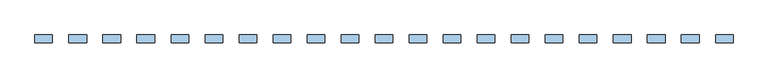
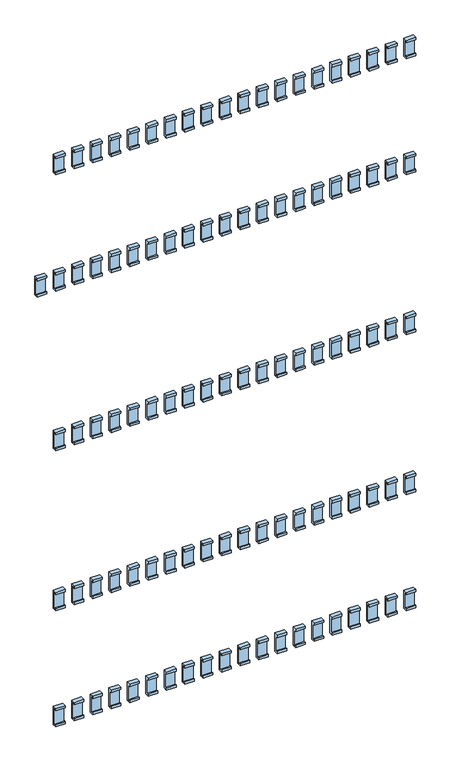
"""IFC4 building model written with IfcOpenShell, lengths in millimetres: window geometry."""

from ifc_helpers import new_model, si_unit, frame, origin, place, context, project, spatial, polyline, outline, extrude, source, transform, mapped, element, save


def window_1bb3da32(model_context):
    return source(origin(), model_context, "Body", "SweptSolid", [
        extrude(outline(polyline([(110.1, 1676.5936804), (105.9, 1676.5936804), (105.9, 1672.5936804), (102.1, 1672.5936804), (102.1, 1680.5), (116.0, 1680.5), (116.0, 1617.5), (102.1, 1617.5), (102.1, 1625.4063196), (105.9, 1625.4063196), (105.9, 1621.4063196), (110.1, 1621.4063196), (110.1, 1676.5936804)])), frame((644.5, 0.0, 0.0), z_axis=(1.0, 0.0, 0.0), x_axis=(0.0, 1.0, 0.0)), (0.0, 0.0, 1.0), 31.0),
        extrude(outline(polyline([(110.1, 1126.5936804), (105.9, 1126.5936804), (105.9, 1122.5936804), (102.1, 1122.5936804), (102.1, 1130.5), (116.0, 1130.5), (116.0, 1067.5), (102.1, 1067.5), (102.1, 1075.4063196), (105.9, 1075.4063196), (105.9, 1071.4063196), (110.1, 1071.4063196), (110.1, 1126.5936804)])), frame((644.5, 0.0, 0.0), z_axis=(1.0, 0.0, 0.0), x_axis=(0.0, 1.0, 0.0)), (0.0, 0.0, 1.0), 31.0),
        extrude(outline(polyline([(110.1, 576.5936804), (105.9, 576.5936804), (105.9, 572.5936804), (102.1, 572.5936804), (102.1, 580.5), (116.0, 580.5), (116.0, 517.5), (102.1, 517.5), (102.1, 525.4063196), (105.9, 525.4063196), (105.9, 521.4063196), (110.1, 521.4063196), (110.1, 576.5936804)])), frame((644.5, 0.0, 0.0), z_axis=(1.0, 0.0, 0.0), x_axis=(0.0, 1.0, 0.0)), (0.0, 0.0, 1.0), 31.0),
        extrude(outline(polyline([(110.1, 2020.9063196), (110.1, 2076.0936804), (105.9, 2076.0936804), (105.9, 2072.0936804), (102.1, 2072.0936804), (102.1, 2080.0), (116.0, 2080.0), (116.0, 2017.0), (102.1, 2017.0), (102.1, 2024.9063196), (105.9, 2024.9063196), (105.9, 2020.9063196), (110.1, 2020.9063196)])), frame((644.5, 0.0, 0.0), z_axis=(1.0, 0.0, 0.0), x_axis=(0.0, 1.0, 0.0)), (0.0, 0.0, 1.0), 31.0),
        extrude(outline(polyline([(110.1, 177.0936804), (105.9, 177.0936804), (105.9, 173.0936804), (102.1, 173.0936804), (102.1, 181.0), (116.0, 181.0), (116.0, 118.0), (102.1, 118.0), (102.1, 125.9063196), (105.9, 125.9063196), (105.9, 121.9063196), (110.1, 121.9063196), (110.1, 177.0936804)])), frame((644.5, 0.0, 0.0), z_axis=(1.0, 0.0, 0.0), x_axis=(0.0, 1.0, 0.0)), (0.0, 0.0, 1.0), 31.0),
        extrude(outline(polyline([(110.1, 1676.5936804), (105.9, 1676.5936804), (105.9, 1672.5936804), (102.1, 1672.5936804), (102.1, 1680.5), (116.0, 1680.5), (116.0, 1617.5), (102.1, 1617.5), (102.1, 1625.4063196), (105.9, 1625.4063196), (105.9, 1621.4063196), (110.1, 1621.4063196), (110.1, 1676.5936804)])), frame((584.5, 0.0, 0.0), z_axis=(1.0, 0.0, 0.0), x_axis=(0.0, 1.0, 0.0)), (0.0, 0.0, 1.0), 31.0),
        extrude(outline(polyline([(110.1, 1126.5936804), (105.9, 1126.5936804), (105.9, 1122.5936804), (102.1, 1122.5936804), (102.1, 1130.5), (116.0, 1130.5), (116.0, 1067.5), (102.1, 1067.5), (102.1, 1075.4063196), (105.9, 1075.4063196), (105.9, 1071.4063196), (110.1, 1071.4063196), (110.1, 1126.5936804)])), frame((584.5, 0.0, 0.0), z_axis=(1.0, 0.0, 0.0), x_axis=(0.0, 1.0, 0.0)), (0.0, 0.0, 1.0), 31.0),
        extrude(outline(polyline([(110.1, 576.5936804), (105.9, 576.5936804), (105.9, 572.5936804), (102.1, 572.5936804), (102.1, 580.5), (116.0, 580.5), (116.0, 517.5), (102.1, 517.5), (102.1, 525.4063196), (105.9, 525.4063196), (105.9, 521.4063196), (110.1, 521.4063196), (110.1, 576.5936804)])), frame((584.5, 0.0, 0.0), z_axis=(1.0, 0.0, 0.0), x_axis=(0.0, 1.0, 0.0)), (0.0, 0.0, 1.0), 31.0),
        extrude(outline(polyline([(110.1, 2020.9063196), (110.1, 2076.0936804), (105.9, 2076.0936804), (105.9, 2072.0936804), (102.1, 2072.0936804), (102.1, 2080.0), (116.0, 2080.0), (116.0, 2017.0), (102.1, 2017.0), (102.1, 2024.9063196), (105.9, 2024.9063196), (105.9, 2020.9063196), (110.1, 2020.9063196)])), frame((584.5, 0.0, 0.0), z_axis=(1.0, 0.0, 0.0), x_axis=(0.0, 1.0, 0.0)), (0.0, 0.0, 1.0), 31.0),
        extrude(outline(polyline([(110.1, 177.0936804), (105.9, 177.0936804), (105.9, 173.0936804), (102.1, 173.0936804), (102.1, 181.0), (116.0, 181.0), (116.0, 118.0), (102.1, 118.0), (102.1, 125.9063196), (105.9, 125.9063196), (105.9, 121.9063196), (110.1, 121.9063196), (110.1, 177.0936804)])), frame((584.5, 0.0, 0.0), z_axis=(1.0, 0.0, 0.0), x_axis=(0.0, 1.0, 0.0)), (0.0, 0.0, 1.0), 31.0),
        extrude(outline(polyline([(110.1, 1676.5936804), (105.9, 1676.5936804), (105.9, 1672.5936804), (102.1, 1672.5936804), (102.1, 1680.5), (116.0, 1680.5), (116.0, 1617.5), (102.1, 1617.5), (102.1, 1625.4063196), (105.9, 1625.4063196), (105.9, 1621.4063196), (110.1, 1621.4063196), (110.1, 1676.5936804)])), frame((524.5, 0.0, 0.0), z_axis=(1.0, 0.0, 0.0), x_axis=(0.0, 1.0, 0.0)), (0.0, 0.0, 1.0), 31.0),
        extrude(outline(polyline([(110.1, 1126.5936804), (105.9, 1126.5936804), (105.9, 1122.5936804), (102.1, 1122.5936804), (102.1, 1130.5), (116.0, 1130.5), (116.0, 1067.5), (102.1, 1067.5), (102.1, 1075.4063196), (105.9, 1075.4063196), (105.9, 1071.4063196), (110.1, 1071.4063196), (110.1, 1126.5936804)])), frame((524.5, 0.0, 0.0), z_axis=(1.0, 0.0, 0.0), x_axis=(0.0, 1.0, 0.0)), (0.0, 0.0, 1.0), 31.0),
        extrude(outline(polyline([(110.1, 576.5936804), (105.9, 576.5936804), (105.9, 572.5936804), (102.1, 572.5936804), (102.1, 580.5), (116.0, 580.5), (116.0, 517.5), (102.1, 517.5), (102.1, 525.4063196), (105.9, 525.4063196), (105.9, 521.4063196), (110.1, 521.4063196), (110.1, 576.5936804)])), frame((524.5, 0.0, 0.0), z_axis=(1.0, 0.0, 0.0), x_axis=(0.0, 1.0, 0.0)), (0.0, 0.0, 1.0), 31.0),
        extrude(outline(polyline([(110.1, 2020.9063196), (110.1, 2076.0936804), (105.9, 2076.0936804), (105.9, 2072.0936804), (102.1, 2072.0936804), (102.1, 2080.0), (116.0, 2080.0), (116.0, 2017.0), (102.1, 2017.0), (102.1, 2024.9063196), (105.9, 2024.9063196), (105.9, 2020.9063196), (110.1, 2020.9063196)])), frame((524.5, 0.0, 0.0), z_axis=(1.0, 0.0, 0.0), x_axis=(0.0, 1.0, 0.0)), (0.0, 0.0, 1.0), 31.0),
        extrude(outline(polyline([(110.1, 177.0936804), (105.9, 177.0936804), (105.9, 173.0936804), (102.1, 173.0936804), (102.1, 181.0), (116.0, 181.0), (116.0, 118.0), (102.1, 118.0), (102.1, 125.9063196), (105.9, 125.9063196), (105.9, 121.9063196), (110.1, 121.9063196), (110.1, 177.0936804)])), frame((524.5, 0.0, 0.0), z_axis=(1.0, 0.0, 0.0), x_axis=(0.0, 1.0, 0.0)), (0.0, 0.0, 1.0), 31.0),
        extrude(outline(polyline([(110.1, 1676.5936804), (105.9, 1676.5936804), (105.9, 1672.5936804), (102.1, 1672.5936804), (102.1, 1680.5), (116.0, 1680.5), (116.0, 1617.5), (102.1, 1617.5), (102.1, 1625.4063196), (105.9, 1625.4063196), (105.9, 1621.4063196), (110.1, 1621.4063196), (110.1, 1676.5936804)])), frame((464.5, 0.0, 0.0), z_axis=(1.0, 0.0, 0.0), x_axis=(0.0, 1.0, 0.0)), (0.0, 0.0, 1.0), 31.0),
        extrude(outline(polyline([(110.1, 1126.5936804), (105.9, 1126.5936804), (105.9, 1122.5936804), (102.1, 1122.5936804), (102.1, 1130.5), (116.0, 1130.5), (116.0, 1067.5), (102.1, 1067.5), (102.1, 1075.4063196), (105.9, 1075.4063196), (105.9, 1071.4063196), (110.1, 1071.4063196), (110.1, 1126.5936804)])), frame((464.5, 0.0, 0.0), z_axis=(1.0, 0.0, 0.0), x_axis=(0.0, 1.0, 0.0)), (0.0, 0.0, 1.0), 31.0),
        extrude(outline(polyline([(110.1, 576.5936804), (105.9, 576.5936804), (105.9, 572.5936804), (102.1, 572.5936804), (102.1, 580.5), (116.0, 580.5), (116.0, 517.5), (102.1, 517.5), (102.1, 525.4063196), (105.9, 525.4063196), (105.9, 521.4063196), (110.1, 521.4063196), (110.1, 576.5936804)])), frame((464.5, 0.0, 0.0), z_axis=(1.0, 0.0, 0.0), x_axis=(0.0, 1.0, 0.0)), (0.0, 0.0, 1.0), 31.0),
        extrude(outline(polyline([(110.1, 2020.9063196), (110.1, 2076.0936804), (105.9, 2076.0936804), (105.9, 2072.0936804), (102.1, 2072.0936804), (102.1, 2080.0), (116.0, 2080.0), (116.0, 2017.0), (102.1, 2017.0), (102.1, 2024.9063196), (105.9, 2024.9063196), (105.9, 2020.9063196), (110.1, 2020.9063196)])), frame((464.5, 0.0, 0.0), z_axis=(1.0, 0.0, 0.0), x_axis=(0.0, 1.0, 0.0)), (0.0, 0.0, 1.0), 31.0),
        extrude(outline(polyline([(110.1, 177.0936804), (105.9, 177.0936804), (105.9, 173.0936804), (102.1, 173.0936804), (102.1, 181.0), (116.0, 181.0), (116.0, 118.0), (102.1, 118.0), (102.1, 125.9063196), (105.9, 125.9063196), (105.9, 121.9063196), (110.1, 121.9063196), (110.1, 177.0936804)])), frame((464.5, 0.0, 0.0), z_axis=(1.0, 0.0, 0.0), x_axis=(0.0, 1.0, 0.0)), (0.0, 0.0, 1.0), 31.0),
        extrude(outline(polyline([(110.1, 1676.5936804), (105.9, 1676.5936804), (105.9, 1672.5936804), (102.1, 1672.5936804), (102.1, 1680.5), (116.0, 1680.5), (116.0, 1617.5), (102.1, 1617.5), (102.1, 1625.4063196), (105.9, 1625.4063196), (105.9, 1621.4063196), (110.1, 1621.4063196), (110.1, 1676.5936804)])), frame((404.5, 0.0, 0.0), z_axis=(1.0, 0.0, 0.0), x_axis=(0.0, 1.0, 0.0)), (0.0, 0.0, 1.0), 31.0),
        extrude(outline(polyline([(110.1, 1126.5936804), (105.9, 1126.5936804), (105.9, 1122.5936804), (102.1, 1122.5936804), (102.1, 1130.5), (116.0, 1130.5), (116.0, 1067.5), (102.1, 1067.5), (102.1, 1075.4063196), (105.9, 1075.4063196), (105.9, 1071.4063196), (110.1, 1071.4063196), (110.1, 1126.5936804)])), frame((404.5, 0.0, 0.0), z_axis=(1.0, 0.0, 0.0), x_axis=(0.0, 1.0, 0.0)), (0.0, 0.0, 1.0), 31.0),
        extrude(outline(polyline([(110.1, 576.5936804), (105.9, 576.5936804), (105.9, 572.5936804), (102.1, 572.5936804), (102.1, 580.5), (116.0, 580.5), (116.0, 517.5), (102.1, 517.5), (102.1, 525.4063196), (105.9, 525.4063196), (105.9, 521.4063196), (110.1, 521.4063196), (110.1, 576.5936804)])), frame((404.5, 0.0, 0.0), z_axis=(1.0, 0.0, 0.0), x_axis=(0.0, 1.0, 0.0)), (0.0, 0.0, 1.0), 31.0),
        extrude(outline(polyline([(110.1, 2020.9063196), (110.1, 2076.0936804), (105.9, 2076.0936804), (105.9, 2072.0936804), (102.1, 2072.0936804), (102.1, 2080.0), (116.0, 2080.0), (116.0, 2017.0), (102.1, 2017.0), (102.1, 2024.9063196), (105.9, 2024.9063196), (105.9, 2020.9063196), (110.1, 2020.9063196)])), frame((404.5, 0.0, 0.0), z_axis=(1.0, 0.0, 0.0), x_axis=(0.0, 1.0, 0.0)), (0.0, 0.0, 1.0), 31.0),
        extrude(outline(polyline([(110.1, 177.0936804), (105.9, 177.0936804), (105.9, 173.0936804), (102.1, 173.0936804), (102.1, 181.0), (116.0, 181.0), (116.0, 118.0), (102.1, 118.0), (102.1, 125.9063196), (105.9, 125.9063196), (105.9, 121.9063196), (110.1, 121.9063196), (110.1, 177.0936804)])), frame((404.5, 0.0, 0.0), z_axis=(1.0, 0.0, 0.0), x_axis=(0.0, 1.0, 0.0)), (0.0, 0.0, 1.0), 31.0),
        extrude(outline(polyline([(110.1, 1676.5936804), (105.9, 1676.5936804), (105.9, 1672.5936804), (102.1, 1672.5936804), (102.1, 1680.5), (116.0, 1680.5), (116.0, 1617.5), (102.1, 1617.5), (102.1, 1625.4063196), (105.9, 1625.4063196), (105.9, 1621.4063196), (110.1, 1621.4063196), (110.1, 1676.5936804)])), frame((344.5, 0.0, 0.0), z_axis=(1.0, 0.0, 0.0), x_axis=(0.0, 1.0, 0.0)), (0.0, 0.0, 1.0), 31.0),
        extrude(outline(polyline([(110.1, 1126.5936804), (105.9, 1126.5936804), (105.9, 1122.5936804), (102.1, 1122.5936804), (102.1, 1130.5), (116.0, 1130.5), (116.0, 1067.5), (102.1, 1067.5), (102.1, 1075.4063196), (105.9, 1075.4063196), (105.9, 1071.4063196), (110.1, 1071.4063196), (110.1, 1126.5936804)])), frame((344.5, 0.0, 0.0), z_axis=(1.0, 0.0, 0.0), x_axis=(0.0, 1.0, 0.0)), (0.0, 0.0, 1.0), 31.0),
        extrude(outline(polyline([(110.1, 576.5936804), (105.9, 576.5936804), (105.9, 572.5936804), (102.1, 572.5936804), (102.1, 580.5), (116.0, 580.5), (116.0, 517.5), (102.1, 517.5), (102.1, 525.4063196), (105.9, 525.4063196), (105.9, 521.4063196), (110.1, 521.4063196), (110.1, 576.5936804)])), frame((344.5, 0.0, 0.0), z_axis=(1.0, 0.0, 0.0), x_axis=(0.0, 1.0, 0.0)), (0.0, 0.0, 1.0), 31.0),
        extrude(outline(polyline([(110.1, 2020.9063196), (110.1, 2076.0936804), (105.9, 2076.0936804), (105.9, 2072.0936804), (102.1, 2072.0936804), (102.1, 2080.0), (116.0, 2080.0), (116.0, 2017.0), (102.1, 2017.0), (102.1, 2024.9063196), (105.9, 2024.9063196), (105.9, 2020.9063196), (110.1, 2020.9063196)])), frame((344.5, 0.0, 0.0), z_axis=(1.0, 0.0, 0.0), x_axis=(0.0, 1.0, 0.0)), (0.0, 0.0, 1.0), 31.0),
        extrude(outline(polyline([(110.1, 177.0936804), (105.9, 177.0936804), (105.9, 173.0936804), (102.1, 173.0936804), (102.1, 181.0), (116.0, 181.0), (116.0, 118.0), (102.1, 118.0), (102.1, 125.9063196), (105.9, 125.9063196), (105.9, 121.9063196), (110.1, 121.9063196), (110.1, 177.0936804)])), frame((344.5, 0.0, 0.0), z_axis=(1.0, 0.0, 0.0), x_axis=(0.0, 1.0, 0.0)), (0.0, 0.0, 1.0), 31.0),
        extrude(outline(polyline([(110.1, 1676.5936804), (105.9, 1676.5936804), (105.9, 1672.5936804), (102.1, 1672.5936804), (102.1, 1680.5), (116.0, 1680.5), (116.0, 1617.5), (102.1, 1617.5), (102.1, 1625.4063196), (105.9, 1625.4063196), (105.9, 1621.4063196), (110.1, 1621.4063196), (110.1, 1676.5936804)])), frame((284.5, 0.0, 0.0), z_axis=(1.0, 0.0, 0.0), x_axis=(0.0, 1.0, 0.0)), (0.0, 0.0, 1.0), 31.0),
        extrude(outline(polyline([(110.1, 1126.5936804), (105.9, 1126.5936804), (105.9, 1122.5936804), (102.1, 1122.5936804), (102.1, 1130.5), (116.0, 1130.5), (116.0, 1067.5), (102.1, 1067.5), (102.1, 1075.4063196), (105.9, 1075.4063196), (105.9, 1071.4063196), (110.1, 1071.4063196), (110.1, 1126.5936804)])), frame((284.5, 0.0, 0.0), z_axis=(1.0, 0.0, 0.0), x_axis=(0.0, 1.0, 0.0)), (0.0, 0.0, 1.0), 31.0),
        extrude(outline(polyline([(110.1, 576.5936804), (105.9, 576.5936804), (105.9, 572.5936804), (102.1, 572.5936804), (102.1, 580.5), (116.0, 580.5), (116.0, 517.5), (102.1, 517.5), (102.1, 525.4063196), (105.9, 525.4063196), (105.9, 521.4063196), (110.1, 521.4063196), (110.1, 576.5936804)])), frame((284.5, 0.0, 0.0), z_axis=(1.0, 0.0, 0.0), x_axis=(0.0, 1.0, 0.0)), (0.0, 0.0, 1.0), 31.0),
        extrude(outline(polyline([(110.1, 2020.9063196), (110.1, 2076.0936804), (105.9, 2076.0936804), (105.9, 2072.0936804), (102.1, 2072.0936804), (102.1, 2080.0), (116.0, 2080.0), (116.0, 2017.0), (102.1, 2017.0), (102.1, 2024.9063196), (105.9, 2024.9063196), (105.9, 2020.9063196), (110.1, 2020.9063196)])), frame((284.5, 0.0, 0.0), z_axis=(1.0, 0.0, 0.0), x_axis=(0.0, 1.0, 0.0)), (0.0, 0.0, 1.0), 31.0),
        extrude(outline(polyline([(110.1, 177.0936804), (105.9, 177.0936804), (105.9, 173.0936804), (102.1, 173.0936804), (102.1, 181.0), (116.0, 181.0), (116.0, 118.0), (102.1, 118.0), (102.1, 125.9063196), (105.9, 125.9063196), (105.9, 121.9063196), (110.1, 121.9063196), (110.1, 177.0936804)])), frame((284.5, 0.0, 0.0), z_axis=(1.0, 0.0, 0.0), x_axis=(0.0, 1.0, 0.0)), (0.0, 0.0, 1.0), 31.0),
        extrude(outline(polyline([(110.1, 1676.5936804), (105.9, 1676.5936804), (105.9, 1672.5936804), (102.1, 1672.5936804), (102.1, 1680.5), (116.0, 1680.5), (116.0, 1617.5), (102.1, 1617.5), (102.1, 1625.4063196), (105.9, 1625.4063196), (105.9, 1621.4063196), (110.1, 1621.4063196), (110.1, 1676.5936804)])), frame((224.5, 0.0, 0.0), z_axis=(1.0, 0.0, 0.0), x_axis=(0.0, 1.0, 0.0)), (0.0, 0.0, 1.0), 31.0),
        extrude(outline(polyline([(110.1, 1126.5936804), (105.9, 1126.5936804), (105.9, 1122.5936804), (102.1, 1122.5936804), (102.1, 1130.5), (116.0, 1130.5), (116.0, 1067.5), (102.1, 1067.5), (102.1, 1075.4063196), (105.9, 1075.4063196), (105.9, 1071.4063196), (110.1, 1071.4063196), (110.1, 1126.5936804)])), frame((224.5, 0.0, 0.0), z_axis=(1.0, 0.0, 0.0), x_axis=(0.0, 1.0, 0.0)), (0.0, 0.0, 1.0), 31.0),
        extrude(outline(polyline([(110.1, 576.5936804), (105.9, 576.5936804), (105.9, 572.5936804), (102.1, 572.5936804), (102.1, 580.5), (116.0, 580.5), (116.0, 517.5), (102.1, 517.5), (102.1, 525.4063196), (105.9, 525.4063196), (105.9, 521.4063196), (110.1, 521.4063196), (110.1, 576.5936804)])), frame((224.5, 0.0, 0.0), z_axis=(1.0, 0.0, 0.0), x_axis=(0.0, 1.0, 0.0)), (0.0, 0.0, 1.0), 31.0),
        extrude(outline(polyline([(110.1, 2020.9063196), (110.1, 2076.0936804), (105.9, 2076.0936804), (105.9, 2072.0936804), (102.1, 2072.0936804), (102.1, 2080.0), (116.0, 2080.0), (116.0, 2017.0), (102.1, 2017.0), (102.1, 2024.9063196), (105.9, 2024.9063196), (105.9, 2020.9063196), (110.1, 2020.9063196)])), frame((224.5, 0.0, 0.0), z_axis=(1.0, 0.0, 0.0), x_axis=(0.0, 1.0, 0.0)), (0.0, 0.0, 1.0), 31.0),
        extrude(outline(polyline([(110.1, 177.0936804), (105.9, 177.0936804), (105.9, 173.0936804), (102.1, 173.0936804), (102.1, 181.0), (116.0, 181.0), (116.0, 118.0), (102.1, 118.0), (102.1, 125.9063196), (105.9, 125.9063196), (105.9, 121.9063196), (110.1, 121.9063196), (110.1, 177.0936804)])), frame((224.5, 0.0, 0.0), z_axis=(1.0, 0.0, 0.0), x_axis=(0.0, 1.0, 0.0)), (0.0, 0.0, 1.0), 31.0),
        extrude(outline(polyline([(110.1, 1676.5936804), (105.9, 1676.5936804), (105.9, 1672.5936804), (102.1, 1672.5936804), (102.1, 1680.5), (116.0, 1680.5), (116.0, 1617.5), (102.1, 1617.5), (102.1, 1625.4063196), (105.9, 1625.4063196), (105.9, 1621.4063196), (110.1, 1621.4063196), (110.1, 1676.5936804)])), frame((164.5, 0.0, 0.0), z_axis=(1.0, 0.0, 0.0), x_axis=(0.0, 1.0, 0.0)), (0.0, 0.0, 1.0), 31.0),
        extrude(outline(polyline([(110.1, 1126.5936804), (105.9, 1126.5936804), (105.9, 1122.5936804), (102.1, 1122.5936804), (102.1, 1130.5), (116.0, 1130.5), (116.0, 1067.5), (102.1, 1067.5), (102.1, 1075.4063196), (105.9, 1075.4063196), (105.9, 1071.4063196), (110.1, 1071.4063196), (110.1, 1126.5936804)])), frame((164.5, 0.0, 0.0), z_axis=(1.0, 0.0, 0.0), x_axis=(0.0, 1.0, 0.0)), (0.0, 0.0, 1.0), 31.0),
        extrude(outline(polyline([(110.1, 576.5936804), (105.9, 576.5936804), (105.9, 572.5936804), (102.1, 572.5936804), (102.1, 580.5), (116.0, 580.5), (116.0, 517.5), (102.1, 517.5), (102.1, 525.4063196), (105.9, 525.4063196), (105.9, 521.4063196), (110.1, 521.4063196), (110.1, 576.5936804)])), frame((164.5, 0.0, 0.0), z_axis=(1.0, 0.0, 0.0), x_axis=(0.0, 1.0, 0.0)), (0.0, 0.0, 1.0), 31.0),
        extrude(outline(polyline([(110.1, 2020.9063196), (110.1, 2076.0936804), (105.9, 2076.0936804), (105.9, 2072.0936804), (102.1, 2072.0936804), (102.1, 2080.0), (116.0, 2080.0), (116.0, 2017.0), (102.1, 2017.0), (102.1, 2024.9063196), (105.9, 2024.9063196), (105.9, 2020.9063196), (110.1, 2020.9063196)])), frame((164.5, 0.0, 0.0), z_axis=(1.0, 0.0, 0.0), x_axis=(0.0, 1.0, 0.0)), (0.0, 0.0, 1.0), 31.0),
        extrude(outline(polyline([(110.1, 177.0936804), (105.9, 177.0936804), (105.9, 173.0936804), (102.1, 173.0936804), (102.1, 181.0), (116.0, 181.0), (116.0, 118.0), (102.1, 118.0), (102.1, 125.9063196), (105.9, 125.9063196), (105.9, 121.9063196), (110.1, 121.9063196), (110.1, 177.0936804)])), frame((164.5, 0.0, 0.0), z_axis=(1.0, 0.0, 0.0), x_axis=(0.0, 1.0, 0.0)), (0.0, 0.0, 1.0), 31.0),
        extrude(outline(polyline([(110.1, 1676.5936804), (105.9, 1676.5936804), (105.9, 1672.5936804), (102.1, 1672.5936804), (102.1, 1680.5), (116.0, 1680.5), (116.0, 1617.5), (102.1, 1617.5), (102.1, 1625.4063196), (105.9, 1625.4063196), (105.9, 1621.4063196), (110.1, 1621.4063196), (110.1, 1676.5936804)])), frame((104.5, 0.0, 0.0), z_axis=(1.0, 0.0, 0.0), x_axis=(0.0, 1.0, 0.0)), (0.0, 0.0, 1.0), 31.0),
        extrude(outline(polyline([(110.1, 1126.5936804), (105.9, 1126.5936804), (105.9, 1122.5936804), (102.1, 1122.5936804), (102.1, 1130.5), (116.0, 1130.5), (116.0, 1067.5), (102.1, 1067.5), (102.1, 1075.4063196), (105.9, 1075.4063196), (105.9, 1071.4063196), (110.1, 1071.4063196), (110.1, 1126.5936804)])), frame((104.5, 0.0, 0.0), z_axis=(1.0, 0.0, 0.0), x_axis=(0.0, 1.0, 0.0)), (0.0, 0.0, 1.0), 31.0),
        extrude(outline(polyline([(110.1, 576.5936804), (105.9, 576.5936804), (105.9, 572.5936804), (102.1, 572.5936804), (102.1, 580.5), (116.0, 580.5), (116.0, 517.5), (102.1, 517.5), (102.1, 525.4063196), (105.9, 525.4063196), (105.9, 521.4063196), (110.1, 521.4063196), (110.1, 576.5936804)])), frame((104.5, 0.0, 0.0), z_axis=(1.0, 0.0, 0.0), x_axis=(0.0, 1.0, 0.0)), (0.0, 0.0, 1.0), 31.0),
        extrude(outline(polyline([(110.1, 2020.9063196), (110.1, 2076.0936804), (105.9, 2076.0936804), (105.9, 2072.0936804), (102.1, 2072.0936804), (102.1, 2080.0), (116.0, 2080.0), (116.0, 2017.0), (102.1, 2017.0), (102.1, 2024.9063196), (105.9, 2024.9063196), (105.9, 2020.9063196), (110.1, 2020.9063196)])), frame((104.5, 0.0, 0.0), z_axis=(1.0, 0.0, 0.0), x_axis=(0.0, 1.0, 0.0)), (0.0, 0.0, 1.0), 31.0),
        extrude(outline(polyline([(110.1, 177.0936804), (105.9, 177.0936804), (105.9, 173.0936804), (102.1, 173.0936804), (102.1, 181.0), (116.0, 181.0), (116.0, 118.0), (102.1, 118.0), (102.1, 125.9063196), (105.9, 125.9063196), (105.9, 121.9063196), (110.1, 121.9063196), (110.1, 177.0936804)])), frame((104.5, 0.0, 0.0), z_axis=(1.0, 0.0, 0.0), x_axis=(0.0, 1.0, 0.0)), (0.0, 0.0, 1.0), 31.0),
        extrude(outline(polyline([(110.1, 1676.5936804), (105.9, 1676.5936804), (105.9, 1672.5936804), (102.1, 1672.5936804), (102.1, 1680.5), (116.0, 1680.5), (116.0, 1617.5), (102.1, 1617.5), (102.1, 1625.4063196), (105.9, 1625.4063196), (105.9, 1621.4063196), (110.1, 1621.4063196), (110.1, 1676.5936804)])), frame((44.5, 0.0, 0.0), z_axis=(1.0, 0.0, 0.0), x_axis=(0.0, 1.0, 0.0)), (0.0, 0.0, 1.0), 31.0),
        extrude(outline(polyline([(110.1, 1126.5936804), (105.9, 1126.5936804), (105.9, 1122.5936804), (102.1, 1122.5936804), (102.1, 1130.5), (116.0, 1130.5), (116.0, 1067.5), (102.1, 1067.5), (102.1, 1075.4063196), (105.9, 1075.4063196), (105.9, 1071.4063196), (110.1, 1071.4063196), (110.1, 1126.5936804)])), frame((44.5, 0.0, 0.0), z_axis=(1.0, 0.0, 0.0), x_axis=(0.0, 1.0, 0.0)), (0.0, 0.0, 1.0), 31.0),
        extrude(outline(polyline([(110.1, 576.5936804), (105.9, 576.5936804), (105.9, 572.5936804), (102.1, 572.5936804), (102.1, 580.5), (116.0, 580.5), (116.0, 517.5), (102.1, 517.5), (102.1, 525.4063196), (105.9, 525.4063196), (105.9, 521.4063196), (110.1, 521.4063196), (110.1, 576.5936804)])), frame((44.5, 0.0, 0.0), z_axis=(1.0, 0.0, 0.0), x_axis=(0.0, 1.0, 0.0)), (0.0, 0.0, 1.0), 31.0),
        extrude(outline(polyline([(110.1, 2020.9063196), (110.1, 2076.0936804), (105.9, 2076.0936804), (105.9, 2072.0936804), (102.1, 2072.0936804), (102.1, 2080.0), (116.0, 2080.0), (116.0, 2017.0), (102.1, 2017.0), (102.1, 2024.9063196), (105.9, 2024.9063196), (105.9, 2020.9063196), (110.1, 2020.9063196)])), frame((44.5, 0.0, 0.0), z_axis=(1.0, 0.0, 0.0), x_axis=(0.0, 1.0, 0.0)), (0.0, 0.0, 1.0), 31.0),
        extrude(outline(polyline([(110.1, 177.0936804), (105.9, 177.0936804), (105.9, 173.0936804), (102.1, 173.0936804), (102.1, 181.0), (116.0, 181.0), (116.0, 118.0), (102.1, 118.0), (102.1, 125.9063196), (105.9, 125.9063196), (105.9, 121.9063196), (110.1, 121.9063196), (110.1, 177.0936804)])), frame((44.5, 0.0, 0.0), z_axis=(1.0, 0.0, 0.0), x_axis=(0.0, 1.0, 0.0)), (0.0, 0.0, 1.0), 31.0),
        extrude(outline(polyline([(110.1, 1676.5936804), (105.9, 1676.5936804), (105.9, 1672.5936804), (102.1, 1672.5936804), (102.1, 1680.5), (116.0, 1680.5), (116.0, 1617.5), (102.1, 1617.5), (102.1, 1625.4063196), (105.9, 1625.4063196), (105.9, 1621.4063196), (110.1, 1621.4063196), (110.1, 1676.5936804)])), frame((-15.5, 0.0, 0.0), z_axis=(1.0, 0.0, 0.0), x_axis=(0.0, 1.0, 0.0)), (0.0, 0.0, 1.0), 31.0),
        extrude(outline(polyline([(110.1, 1126.5936804), (105.9, 1126.5936804), (105.9, 1122.5936804), (102.1, 1122.5936804), (102.1, 1130.5), (116.0, 1130.5), (116.0, 1067.5), (102.1, 1067.5), (102.1, 1075.4063196), (105.9, 1075.4063196), (105.9, 1071.4063196), (110.1, 1071.4063196), (110.1, 1126.5936804)])), frame((-15.5, 0.0, 0.0), z_axis=(1.0, 0.0, 0.0), x_axis=(0.0, 1.0, 0.0)), (0.0, 0.0, 1.0), 31.0),
        extrude(outline(polyline([(110.1, 576.5936804), (105.9, 576.5936804), (105.9, 572.5936804), (102.1, 572.5936804), (102.1, 580.5), (116.0, 580.5), (116.0, 517.5), (102.1, 517.5), (102.1, 525.4063196), (105.9, 525.4063196), (105.9, 521.4063196), (110.1, 521.4063196), (110.1, 576.5936804)])), frame((-15.5, 0.0, 0.0), z_axis=(1.0, 0.0, 0.0), x_axis=(0.0, 1.0, 0.0)), (0.0, 0.0, 1.0), 31.0),
        extrude(outline(polyline([(110.1, 2020.9063196), (110.1, 2076.0936804), (105.9, 2076.0936804), (105.9, 2072.0936804), (102.1, 2072.0936804), (102.1, 2080.0), (116.0, 2080.0), (116.0, 2017.0), (102.1, 2017.0), (102.1, 2024.9063196), (105.9, 2024.9063196), (105.9, 2020.9063196), (110.1, 2020.9063196)])), frame((-15.5, 0.0, 0.0), z_axis=(1.0, 0.0, 0.0), x_axis=(0.0, 1.0, 0.0)), (0.0, 0.0, 1.0), 31.0),
        extrude(outline(polyline([(110.1, 177.0936804), (105.9, 177.0936804), (105.9, 173.0936804), (102.1, 173.0936804), (102.1, 181.0), (116.0, 181.0), (116.0, 118.0), (102.1, 118.0), (102.1, 125.9063196), (105.9, 125.9063196), (105.9, 121.9063196), (110.1, 121.9063196), (110.1, 177.0936804)])), frame((-15.5, 0.0, 0.0), z_axis=(1.0, 0.0, 0.0), x_axis=(0.0, 1.0, 0.0)), (0.0, 0.0, 1.0), 31.0),
        extrude(outline(polyline([(110.1, 1676.5936804), (105.9, 1676.5936804), (105.9, 1672.5936804), (102.1, 1672.5936804), (102.1, 1680.5), (116.0, 1680.5), (116.0, 1617.5), (102.1, 1617.5), (102.1, 1625.4063196), (105.9, 1625.4063196), (105.9, 1621.4063196), (110.1, 1621.4063196), (110.1, 1676.5936804)])), frame((-75.5, 0.0, 0.0), z_axis=(1.0, 0.0, 0.0), x_axis=(0.0, 1.0, 0.0)), (0.0, 0.0, 1.0), 31.0),
        extrude(outline(polyline([(110.1, 1126.5936804), (105.9, 1126.5936804), (105.9, 1122.5936804), (102.1, 1122.5936804), (102.1, 1130.5), (116.0, 1130.5), (116.0, 1067.5), (102.1, 1067.5), (102.1, 1075.4063196), (105.9, 1075.4063196), (105.9, 1071.4063196), (110.1, 1071.4063196), (110.1, 1126.5936804)])), frame((-75.5, 0.0, 0.0), z_axis=(1.0, 0.0, 0.0), x_axis=(0.0, 1.0, 0.0)), (0.0, 0.0, 1.0), 31.0),
        extrude(outline(polyline([(110.1, 576.5936804), (105.9, 576.5936804), (105.9, 572.5936804), (102.1, 572.5936804), (102.1, 580.5), (116.0, 580.5), (116.0, 517.5), (102.1, 517.5), (102.1, 525.4063196), (105.9, 525.4063196), (105.9, 521.4063196), (110.1, 521.4063196), (110.1, 576.5936804)])), frame((-75.5, 0.0, 0.0), z_axis=(1.0, 0.0, 0.0), x_axis=(0.0, 1.0, 0.0)), (0.0, 0.0, 1.0), 31.0),
        extrude(outline(polyline([(110.1, 2020.9063196), (110.1, 2076.0936804), (105.9, 2076.0936804), (105.9, 2072.0936804), (102.1, 2072.0936804), (102.1, 2080.0), (116.0, 2080.0), (116.0, 2017.0), (102.1, 2017.0), (102.1, 2024.9063196), (105.9, 2024.9063196), (105.9, 2020.9063196), (110.1, 2020.9063196)])), frame((-75.5, 0.0, 0.0), z_axis=(1.0, 0.0, 0.0), x_axis=(0.0, 1.0, 0.0)), (0.0, 0.0, 1.0), 31.0),
        extrude(outline(polyline([(110.1, 177.0936804), (105.9, 177.0936804), (105.9, 173.0936804), (102.1, 173.0936804), (102.1, 181.0), (116.0, 181.0), (116.0, 118.0), (102.1, 118.0), (102.1, 125.9063196), (105.9, 125.9063196), (105.9, 121.9063196), (110.1, 121.9063196), (110.1, 177.0936804)])), frame((-75.5, 0.0, 0.0), z_axis=(1.0, 0.0, 0.0), x_axis=(0.0, 1.0, 0.0)), (0.0, 0.0, 1.0), 31.0),
        extrude(outline(polyline([(110.1, 1676.5936804), (105.9, 1676.5936804), (105.9, 1672.5936804), (102.1, 1672.5936804), (102.1, 1680.5), (116.0, 1680.5), (116.0, 1617.5), (102.1, 1617.5), (102.1, 1625.4063196), (105.9, 1625.4063196), (105.9, 1621.4063196), (110.1, 1621.4063196), (110.1, 1676.5936804)])), frame((-135.5, 0.0, 0.0), z_axis=(1.0, 0.0, 0.0), x_axis=(0.0, 1.0, 0.0)), (0.0, 0.0, 1.0), 31.0),
        extrude(outline(polyline([(110.1, 1126.5936804), (105.9, 1126.5936804), (105.9, 1122.5936804), (102.1, 1122.5936804), (102.1, 1130.5), (116.0, 1130.5), (116.0, 1067.5), (102.1, 1067.5), (102.1, 1075.4063196), (105.9, 1075.4063196), (105.9, 1071.4063196), (110.1, 1071.4063196), (110.1, 1126.5936804)])), frame((-135.5, 0.0, 0.0), z_axis=(1.0, 0.0, 0.0), x_axis=(0.0, 1.0, 0.0)), (0.0, 0.0, 1.0), 31.0),
        extrude(outline(polyline([(110.1, 576.5936804), (105.9, 576.5936804), (105.9, 572.5936804), (102.1, 572.5936804), (102.1, 580.5), (116.0, 580.5), (116.0, 517.5), (102.1, 517.5), (102.1, 525.4063196), (105.9, 525.4063196), (105.9, 521.4063196), (110.1, 521.4063196), (110.1, 576.5936804)])), frame((-135.5, 0.0, 0.0), z_axis=(1.0, 0.0, 0.0), x_axis=(0.0, 1.0, 0.0)), (0.0, 0.0, 1.0), 31.0),
        extrude(outline(polyline([(110.1, 2020.9063196), (110.1, 2076.0936804), (105.9, 2076.0936804), (105.9, 2072.0936804), (102.1, 2072.0936804), (102.1, 2080.0), (116.0, 2080.0), (116.0, 2017.0), (102.1, 2017.0), (102.1, 2024.9063196), (105.9, 2024.9063196), (105.9, 2020.9063196), (110.1, 2020.9063196)])), frame((-135.5, 0.0, 0.0), z_axis=(1.0, 0.0, 0.0), x_axis=(0.0, 1.0, 0.0)), (0.0, 0.0, 1.0), 31.0),
        extrude(outline(polyline([(110.1, 177.0936804), (105.9, 177.0936804), (105.9, 173.0936804), (102.1, 173.0936804), (102.1, 181.0), (116.0, 181.0), (116.0, 118.0), (102.1, 118.0), (102.1, 125.9063196), (105.9, 125.9063196), (105.9, 121.9063196), (110.1, 121.9063196), (110.1, 177.0936804)])), frame((-135.5, 0.0, 0.0), z_axis=(1.0, 0.0, 0.0), x_axis=(0.0, 1.0, 0.0)), (0.0, 0.0, 1.0), 31.0),
        extrude(outline(polyline([(110.1, 1676.5936804), (105.9, 1676.5936804), (105.9, 1672.5936804), (102.1, 1672.5936804), (102.1, 1680.5), (116.0, 1680.5), (116.0, 1617.5), (102.1, 1617.5), (102.1, 1625.4063196), (105.9, 1625.4063196), (105.9, 1621.4063196), (110.1, 1621.4063196), (110.1, 1676.5936804)])), frame((-195.5, 0.0, 0.0), z_axis=(1.0, 0.0, 0.0), x_axis=(0.0, 1.0, 0.0)), (0.0, 0.0, 1.0), 31.0),
        extrude(outline(polyline([(110.1, 1126.5936804), (105.9, 1126.5936804), (105.9, 1122.5936804), (102.1, 1122.5936804), (102.1, 1130.5), (116.0, 1130.5), (116.0, 1067.5), (102.1, 1067.5), (102.1, 1075.4063196), (105.9, 1075.4063196), (105.9, 1071.4063196), (110.1, 1071.4063196), (110.1, 1126.5936804)])), frame((-195.5, 0.0, 0.0), z_axis=(1.0, 0.0, 0.0), x_axis=(0.0, 1.0, 0.0)), (0.0, 0.0, 1.0), 31.0),
        extrude(outline(polyline([(110.1, 576.5936804), (105.9, 576.5936804), (105.9, 572.5936804), (102.1, 572.5936804), (102.1, 580.5), (116.0, 580.5), (116.0, 517.5), (102.1, 517.5), (102.1, 525.4063196), (105.9, 525.4063196), (105.9, 521.4063196), (110.1, 521.4063196), (110.1, 576.5936804)])), frame((-195.5, 0.0, 0.0), z_axis=(1.0, 0.0, 0.0), x_axis=(0.0, 1.0, 0.0)), (0.0, 0.0, 1.0), 31.0),
        extrude(outline(polyline([(110.1, 2020.9063196), (110.1, 2076.0936804), (105.9, 2076.0936804), (105.9, 2072.0936804), (102.1, 2072.0936804), (102.1, 2080.0), (116.0, 2080.0), (116.0, 2017.0), (102.1, 2017.0), (102.1, 2024.9063196), (105.9, 2024.9063196), (105.9, 2020.9063196), (110.1, 2020.9063196)])), frame((-195.5, 0.0, 0.0), z_axis=(1.0, 0.0, 0.0), x_axis=(0.0, 1.0, 0.0)), (0.0, 0.0, 1.0), 31.0),
        extrude(outline(polyline([(110.1, 177.0936804), (105.9, 177.0936804), (105.9, 173.0936804), (102.1, 173.0936804), (102.1, 181.0), (116.0, 181.0), (116.0, 118.0), (102.1, 118.0), (102.1, 125.9063196), (105.9, 125.9063196), (105.9, 121.9063196), (110.1, 121.9063196), (110.1, 177.0936804)])), frame((-195.5, 0.0, 0.0), z_axis=(1.0, 0.0, 0.0), x_axis=(0.0, 1.0, 0.0)), (0.0, 0.0, 1.0), 31.0),
        extrude(outline(polyline([(110.1, 1676.5936804), (105.9, 1676.5936804), (105.9, 1672.5936804), (102.1, 1672.5936804), (102.1, 1680.5), (116.0, 1680.5), (116.0, 1617.5), (102.1, 1617.5), (102.1, 1625.4063196), (105.9, 1625.4063196), (105.9, 1621.4063196), (110.1, 1621.4063196), (110.1, 1676.5936804)])), frame((-255.5, 0.0, 0.0), z_axis=(1.0, 0.0, 0.0), x_axis=(0.0, 1.0, 0.0)), (0.0, 0.0, 1.0), 31.0),
        extrude(outline(polyline([(110.1, 1126.5936804), (105.9, 1126.5936804), (105.9, 1122.5936804), (102.1, 1122.5936804), (102.1, 1130.5), (116.0, 1130.5), (116.0, 1067.5), (102.1, 1067.5), (102.1, 1075.4063196), (105.9, 1075.4063196), (105.9, 1071.4063196), (110.1, 1071.4063196), (110.1, 1126.5936804)])), frame((-255.5, 0.0, 0.0), z_axis=(1.0, 0.0, 0.0), x_axis=(0.0, 1.0, 0.0)), (0.0, 0.0, 1.0), 31.0),
        extrude(outline(polyline([(110.1, 576.5936804), (105.9, 576.5936804), (105.9, 572.5936804), (102.1, 572.5936804), (102.1, 580.5), (116.0, 580.5), (116.0, 517.5), (102.1, 517.5), (102.1, 525.4063196), (105.9, 525.4063196), (105.9, 521.4063196), (110.1, 521.4063196), (110.1, 576.5936804)])), frame((-255.5, 0.0, 0.0), z_axis=(1.0, 0.0, 0.0), x_axis=(0.0, 1.0, 0.0)), (0.0, 0.0, 1.0), 31.0),
        extrude(outline(polyline([(110.1, 2020.9063196), (110.1, 2076.0936804), (105.9, 2076.0936804), (105.9, 2072.0936804), (102.1, 2072.0936804), (102.1, 2080.0), (116.0, 2080.0), (116.0, 2017.0), (102.1, 2017.0), (102.1, 2024.9063196), (105.9, 2024.9063196), (105.9, 2020.9063196), (110.1, 2020.9063196)])), frame((-255.5, 0.0, 0.0), z_axis=(1.0, 0.0, 0.0), x_axis=(0.0, 1.0, 0.0)), (0.0, 0.0, 1.0), 31.0),
        extrude(outline(polyline([(110.1, 177.0936804), (105.9, 177.0936804), (105.9, 173.0936804), (102.1, 173.0936804), (102.1, 181.0), (116.0, 181.0), (116.0, 118.0), (102.1, 118.0), (102.1, 125.9063196), (105.9, 125.9063196), (105.9, 121.9063196), (110.1, 121.9063196), (110.1, 177.0936804)])), frame((-255.5, 0.0, 0.0), z_axis=(1.0, 0.0, 0.0), x_axis=(0.0, 1.0, 0.0)), (0.0, 0.0, 1.0), 31.0),
        extrude(outline(polyline([(110.1, 1676.5936804), (105.9, 1676.5936804), (105.9, 1672.5936804), (102.1, 1672.5936804), (102.1, 1680.5), (116.0, 1680.5), (116.0, 1617.5), (102.1, 1617.5), (102.1, 1625.4063196), (105.9, 1625.4063196), (105.9, 1621.4063196), (110.1, 1621.4063196), (110.1, 1676.5936804)])), frame((-315.5, 0.0, 0.0), z_axis=(1.0, 0.0, 0.0), x_axis=(0.0, 1.0, 0.0)), (0.0, 0.0, 1.0), 31.0),
        extrude(outline(polyline([(110.1, 1126.5936804), (105.9, 1126.5936804), (105.9, 1122.5936804), (102.1, 1122.5936804), (102.1, 1130.5), (116.0, 1130.5), (116.0, 1067.5), (102.1, 1067.5), (102.1, 1075.4063196), (105.9, 1075.4063196), (105.9, 1071.4063196), (110.1, 1071.4063196), (110.1, 1126.5936804)])), frame((-315.5, 0.0, 0.0), z_axis=(1.0, 0.0, 0.0), x_axis=(0.0, 1.0, 0.0)), (0.0, 0.0, 1.0), 31.0),
        extrude(outline(polyline([(110.1, 576.5936804), (105.9, 576.5936804), (105.9, 572.5936804), (102.1, 572.5936804), (102.1, 580.5), (116.0, 580.5), (116.0, 517.5), (102.1, 517.5), (102.1, 525.4063196), (105.9, 525.4063196), (105.9, 521.4063196), (110.1, 521.4063196), (110.1, 576.5936804)])), frame((-315.5, 0.0, 0.0), z_axis=(1.0, 0.0, 0.0), x_axis=(0.0, 1.0, 0.0)), (0.0, 0.0, 1.0), 31.0),
        extrude(outline(polyline([(110.1, 2020.9063196), (110.1, 2076.0936804), (105.9, 2076.0936804), (105.9, 2072.0936804), (102.1, 2072.0936804), (102.1, 2080.0), (116.0, 2080.0), (116.0, 2017.0), (102.1, 2017.0), (102.1, 2024.9063196), (105.9, 2024.9063196), (105.9, 2020.9063196), (110.1, 2020.9063196)])), frame((-315.5, 0.0, 0.0), z_axis=(1.0, 0.0, 0.0), x_axis=(0.0, 1.0, 0.0)), (0.0, 0.0, 1.0), 31.0),
        extrude(outline(polyline([(110.1, 177.0936804), (105.9, 177.0936804), (105.9, 173.0936804), (102.1, 173.0936804), (102.1, 181.0), (116.0, 181.0), (116.0, 118.0), (102.1, 118.0), (102.1, 125.9063196), (105.9, 125.9063196), (105.9, 121.9063196), (110.1, 121.9063196), (110.1, 177.0936804)])), frame((-315.5, 0.0, 0.0), z_axis=(1.0, 0.0, 0.0), x_axis=(0.0, 1.0, 0.0)), (0.0, 0.0, 1.0), 31.0),
        extrude(outline(polyline([(110.1, 1676.5936804), (105.9, 1676.5936804), (105.9, 1672.5936804), (102.1, 1672.5936804), (102.1, 1680.5), (116.0, 1680.5), (116.0, 1617.5), (102.1, 1617.5), (102.1, 1625.4063196), (105.9, 1625.4063196), (105.9, 1621.4063196), (110.1, 1621.4063196), (110.1, 1676.5936804)])), frame((-375.5, 0.0, 0.0), z_axis=(1.0, 0.0, 0.0), x_axis=(0.0, 1.0, 0.0)), (0.0, 0.0, 1.0), 31.0),
        extrude(outline(polyline([(110.1, 1126.5936804), (105.9, 1126.5936804), (105.9, 1122.5936804), (102.1, 1122.5936804), (102.1, 1130.5), (116.0, 1130.5), (116.0, 1067.5), (102.1, 1067.5), (102.1, 1075.4063196), (105.9, 1075.4063196), (105.9, 1071.4063196), (110.1, 1071.4063196), (110.1, 1126.5936804)])), frame((-375.5, 0.0, 0.0), z_axis=(1.0, 0.0, 0.0), x_axis=(0.0, 1.0, 0.0)), (0.0, 0.0, 1.0), 31.0),
        extrude(outline(polyline([(110.1, 576.5936804), (105.9, 576.5936804), (105.9, 572.5936804), (102.1, 572.5936804), (102.1, 580.5), (116.0, 580.5), (116.0, 517.5), (102.1, 517.5), (102.1, 525.4063196), (105.9, 525.4063196), (105.9, 521.4063196), (110.1, 521.4063196), (110.1, 576.5936804)])), frame((-375.5, 0.0, 0.0), z_axis=(1.0, 0.0, 0.0), x_axis=(0.0, 1.0, 0.0)), (0.0, 0.0, 1.0), 31.0),
        extrude(outline(polyline([(110.1, 2020.9063196), (110.1, 2076.0936804), (105.9, 2076.0936804), (105.9, 2072.0936804), (102.1, 2072.0936804), (102.1, 2080.0), (116.0, 2080.0), (116.0, 2017.0), (102.1, 2017.0), (102.1, 2024.9063196), (105.9, 2024.9063196), (105.9, 2020.9063196), (110.1, 2020.9063196)])), frame((-375.5, 0.0, 0.0), z_axis=(1.0, 0.0, 0.0), x_axis=(0.0, 1.0, 0.0)), (0.0, 0.0, 1.0), 31.0),
        extrude(outline(polyline([(110.1, 177.0936804), (105.9, 177.0936804), (105.9, 173.0936804), (102.1, 173.0936804), (102.1, 181.0), (116.0, 181.0), (116.0, 118.0), (102.1, 118.0), (102.1, 125.9063196), (105.9, 125.9063196), (105.9, 121.9063196), (110.1, 121.9063196), (110.1, 177.0936804)])), frame((-375.5, 0.0, 0.0), z_axis=(1.0, 0.0, 0.0), x_axis=(0.0, 1.0, 0.0)), (0.0, 0.0, 1.0), 31.0),
        extrude(outline(polyline([(110.1, 1676.5936804), (105.9, 1676.5936804), (105.9, 1672.5936804), (102.1, 1672.5936804), (102.1, 1680.5), (116.0, 1680.5), (116.0, 1617.5), (102.1, 1617.5), (102.1, 1625.4063196), (105.9, 1625.4063196), (105.9, 1621.4063196), (110.1, 1621.4063196), (110.1, 1676.5936804)])), frame((-435.5, 0.0, 0.0), z_axis=(1.0, 0.0, 0.0), x_axis=(0.0, 1.0, 0.0)), (0.0, 0.0, 1.0), 31.0),
        extrude(outline(polyline([(110.1, 1126.5936804), (105.9, 1126.5936804), (105.9, 1122.5936804), (102.1, 1122.5936804), (102.1, 1130.5), (116.0, 1130.5), (116.0, 1067.5), (102.1, 1067.5), (102.1, 1075.4063196), (105.9, 1075.4063196), (105.9, 1071.4063196), (110.1, 1071.4063196), (110.1, 1126.5936804)])), frame((-435.5, 0.0, 0.0), z_axis=(1.0, 0.0, 0.0), x_axis=(0.0, 1.0, 0.0)), (0.0, 0.0, 1.0), 31.0),
        extrude(outline(polyline([(110.1, 576.5936804), (105.9, 576.5936804), (105.9, 572.5936804), (102.1, 572.5936804), (102.1, 580.5), (116.0, 580.5), (116.0, 517.5), (102.1, 517.5), (102.1, 525.4063196), (105.9, 525.4063196), (105.9, 521.4063196), (110.1, 521.4063196), (110.1, 576.5936804)])), frame((-435.5, 0.0, 0.0), z_axis=(1.0, 0.0, 0.0), x_axis=(0.0, 1.0, 0.0)), (0.0, 0.0, 1.0), 31.0),
        extrude(outline(polyline([(110.1, 2020.9063196), (110.1, 2076.0936804), (105.9, 2076.0936804), (105.9, 2072.0936804), (102.1, 2072.0936804), (102.1, 2080.0), (116.0, 2080.0), (116.0, 2017.0), (102.1, 2017.0), (102.1, 2024.9063196), (105.9, 2024.9063196), (105.9, 2020.9063196), (110.1, 2020.9063196)])), frame((-435.5, 0.0, 0.0), z_axis=(1.0, 0.0, 0.0), x_axis=(0.0, 1.0, 0.0)), (0.0, 0.0, 1.0), 31.0),
        extrude(outline(polyline([(110.1, 177.0936804), (105.9, 177.0936804), (105.9, 173.0936804), (102.1, 173.0936804), (102.1, 181.0), (116.0, 181.0), (116.0, 118.0), (102.1, 118.0), (102.1, 125.9063196), (105.9, 125.9063196), (105.9, 121.9063196), (110.1, 121.9063196), (110.1, 177.0936804)])), frame((-435.5, 0.0, 0.0), z_axis=(1.0, 0.0, 0.0), x_axis=(0.0, 1.0, 0.0)), (0.0, 0.0, 1.0), 31.0),
        extrude(outline(polyline([(110.1, 1676.5936804), (105.9, 1676.5936804), (105.9, 1672.5936804), (102.1, 1672.5936804), (102.1, 1680.5), (116.0, 1680.5), (116.0, 1617.5), (102.1, 1617.5), (102.1, 1625.4063196), (105.9, 1625.4063196), (105.9, 1621.4063196), (110.1, 1621.4063196), (110.1, 1676.5936804)])), frame((-495.5, 0.0, 0.0), z_axis=(1.0, 0.0, 0.0), x_axis=(0.0, 1.0, 0.0)), (0.0, 0.0, 1.0), 31.0),
        extrude(outline(polyline([(110.1, 1126.5936804), (105.9, 1126.5936804), (105.9, 1122.5936804), (102.1, 1122.5936804), (102.1, 1130.5), (116.0, 1130.5), (116.0, 1067.5), (102.1, 1067.5), (102.1, 1075.4063196), (105.9, 1075.4063196), (105.9, 1071.4063196), (110.1, 1071.4063196), (110.1, 1126.5936804)])), frame((-495.5, 0.0, 0.0), z_axis=(1.0, 0.0, 0.0), x_axis=(0.0, 1.0, 0.0)), (0.0, 0.0, 1.0), 31.0),
        extrude(outline(polyline([(110.1, 576.5936804), (105.9, 576.5936804), (105.9, 572.5936804), (102.1, 572.5936804), (102.1, 580.5), (116.0, 580.5), (116.0, 517.5), (102.1, 517.5), (102.1, 525.4063196), (105.9, 525.4063196), (105.9, 521.4063196), (110.1, 521.4063196), (110.1, 576.5936804)])), frame((-495.5, 0.0, 0.0), z_axis=(1.0, 0.0, 0.0), x_axis=(0.0, 1.0, 0.0)), (0.0, 0.0, 1.0), 31.0),
        extrude(outline(polyline([(110.1, 2020.9063196), (110.1, 2076.0936804), (105.9, 2076.0936804), (105.9, 2072.0936804), (102.1, 2072.0936804), (102.1, 2080.0), (116.0, 2080.0), (116.0, 2017.0), (102.1, 2017.0), (102.1, 2024.9063196), (105.9, 2024.9063196), (105.9, 2020.9063196), (110.1, 2020.9063196)])), frame((-495.5, 0.0, 0.0), z_axis=(1.0, 0.0, 0.0), x_axis=(0.0, 1.0, 0.0)), (0.0, 0.0, 1.0), 31.0),
        extrude(outline(polyline([(110.1, 177.0936804), (105.9, 177.0936804), (105.9, 173.0936804), (102.1, 173.0936804), (102.1, 181.0), (116.0, 181.0), (116.0, 118.0), (102.1, 118.0), (102.1, 125.9063196), (105.9, 125.9063196), (105.9, 121.9063196), (110.1, 121.9063196), (110.1, 177.0936804)])), frame((-495.5, 0.0, 0.0), z_axis=(1.0, 0.0, 0.0), x_axis=(0.0, 1.0, 0.0)), (0.0, 0.0, 1.0), 31.0),
        extrude(outline(polyline([(110.1, 1676.5936804), (105.9, 1676.5936804), (105.9, 1672.5936804), (102.1, 1672.5936804), (102.1, 1680.5), (116.0, 1680.5), (116.0, 1617.5), (102.1, 1617.5), (102.1, 1625.4063196), (105.9, 1625.4063196), (105.9, 1621.4063196), (110.1, 1621.4063196), (110.1, 1676.5936804)])), frame((-555.5, 0.0, 0.0), z_axis=(1.0, 0.0, 0.0), x_axis=(0.0, 1.0, 0.0)), (0.0, 0.0, 1.0), 31.0),
    ])


if __name__ == "__main__":
    model = new_model("IFC4")
    model_context = context("Model", 3, world=origin())
    ifc_project = project(units=[si_unit("LENGTHUNIT", "METRE", prefix="MILLI")], contexts=[model_context])
    site = spatial("IfcSite", under=ifc_project)
    building = spatial("IfcBuilding", under=site)
    placement = place(None, origin())
    window_shape = window_1bb3da32(model_context)
    element("IfcWindow", 1, at=placement, inside=building, context=model_context, shape_type="MappedRepresentation", body=[
        mapped(window_shape, transform((0.0, 0.0, 0.0), x_axis=(1.0, 0.0, 0.0), y_axis=(0.0, 1.0, 0.0), z_axis=(0.0, 0.0, 1.0))),
    ])
    save(model, "model.ifc")
